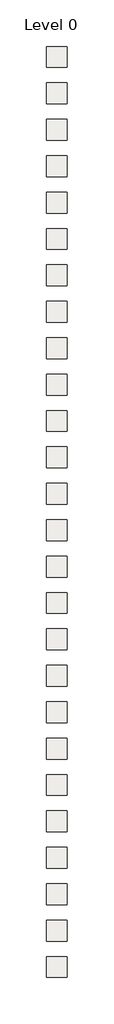
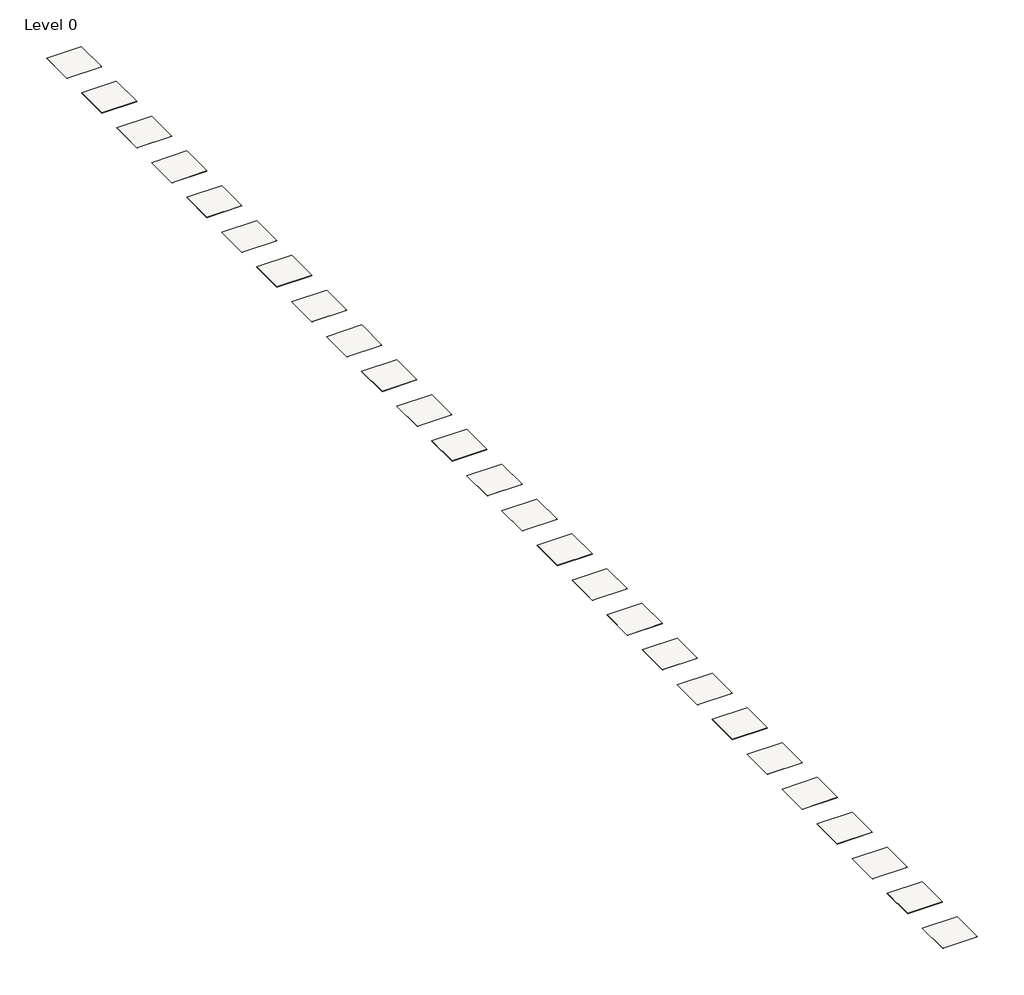
# One storey: 26 coverings.
"""IFC4 building model written with IfcOpenShell, lengths in millimetres."""

from ifc_helpers import new_model, si_unit, origin, origin_with_axes, place, context, project, spatial, polyline, outline, extrude, element, save

model = new_model("IFC4")

# Units and contexts
model_context = context("Model", 3, world=origin())
ifc_project = project(units=[si_unit("LENGTHUNIT", "METRE", prefix="MILLI")], contexts=[model_context])

# Site, building, storey
site = spatial("IfcSite", under=ifc_project)
building = spatial("IfcBuilding", under=site)
storey = spatial("IfcBuildingStorey", under=building, Name="Level 0", Elevation=0.0)

# Coverings
placement = place(None, origin())
element("IfcCovering", 1, at=placement, inside=storey, context=model_context, shape_type="SweptSolid", body=[
    extrude(outline(polyline([(-1496.1652778, 1779.8764211), (803.8347222, 1779.8764211), (803.8347222, -520.1235789), (-1496.1652778, -520.1235789), (-1496.1652778, 1779.8764211)])), origin_with_axes(), (0.0, 0.0, 1.0), 12.0),
])
element("IfcCovering", 2, at=placement, inside=storey, context=model_context, shape_type="SweptSolid", body=[
    extrude(outline(polyline([(-1496.1652778, -2220.1235789), (803.8347222, -2220.1235789), (803.8347222, -4520.1235789), (-1496.1652778, -4520.1235789), (-1496.1652778, -2220.1235789)])), origin_with_axes(), (0.0, 0.0, 1.0), 12.0),
])
element("IfcCovering", 3, at=placement, inside=storey, context=model_context, shape_type="SweptSolid", body=[
    extrude(outline(polyline([(-1496.1652778, -6220.1235789), (803.8347222, -6220.1235789), (803.8347222, -8520.1235789), (-1496.1652778, -8520.1235789), (-1496.1652778, -6220.1235789)])), origin_with_axes(), (0.0, 0.0, 1.0), 12.0),
])
element("IfcCovering", 4, at=placement, inside=storey, context=model_context, shape_type="SweptSolid", body=[
    extrude(outline(polyline([(-1496.1652778, -10220.1235789), (803.8347222, -10220.1235789), (803.8347222, -12520.1235789), (-1496.1652778, -12520.1235789), (-1496.1652778, -10220.1235789)])), origin_with_axes(), (0.0, 0.0, 1.0), 12.0),
])
element("IfcCovering", 5, at=placement, inside=storey, context=model_context, shape_type="SweptSolid", body=[
    extrude(outline(polyline([(-1496.1652778, -14220.1235789), (803.8347222, -14220.1235789), (803.8347222, -16520.1235789), (-1496.1652778, -16520.1235789), (-1496.1652778, -14220.1235789)])), origin_with_axes(), (0.0, 0.0, 1.0), 12.0),
])
element("IfcCovering", 6, at=placement, inside=storey, context=model_context, shape_type="SweptSolid", body=[
    extrude(outline(polyline([(-1496.1652778, -18220.1235789), (803.8347222, -18220.1235789), (803.8347222, -20520.1235789), (-1496.1652778, -20520.1235789), (-1496.1652778, -18220.1235789)])), origin_with_axes(), (0.0, 0.0, 1.0), 12.0),
])
element("IfcCovering", 7, at=placement, inside=storey, context=model_context, shape_type="SweptSolid", body=[
    extrude(outline(polyline([(-1496.1652778, -30220.1235789), (803.8347222, -30220.1235789), (803.8347222, -32520.1235789), (-1496.1652778, -32520.1235789), (-1496.1652778, -30220.1235789)])), origin_with_axes(), (0.0, 0.0, 1.0), 12.0),
])
element("IfcCovering", 8, at=placement, inside=storey, context=model_context, shape_type="SweptSolid", body=[
    extrude(outline(polyline([(-1496.1652778, -34220.1235789), (803.8347222, -34220.1235789), (803.8347222, -36520.1235789), (-1496.1652778, -36520.1235789), (-1496.1652778, -34220.1235789)])), origin_with_axes(), (0.0, 0.0, 1.0), 12.0),
])
element("IfcCovering", 9, at=placement, inside=storey, context=model_context, shape_type="SweptSolid", body=[
    extrude(outline(polyline([(-1496.1652778, -22220.1235789), (803.8347222, -22220.1235789), (803.8347222, -24520.1235789), (-1496.1652778, -24520.1235789), (-1496.1652778, -22220.1235789)])), origin_with_axes(), (0.0, 0.0, 1.0), 12.0),
])
element("IfcCovering", 10, at=placement, inside=storey, context=model_context, shape_type="SweptSolid", body=[
    extrude(outline(polyline([(-1496.1652778, -26220.1235789), (803.8347222, -26220.1235789), (803.8347222, -28520.1235789), (-1496.1652778, -28520.1235789), (-1496.1652778, -26220.1235789)])), origin_with_axes(), (0.0, 0.0, 1.0), 12.0),
])
element("IfcCovering", 11, at=placement, inside=storey, context=model_context, shape_type="SweptSolid", body=[
    extrude(outline(polyline([(-1496.1652778, -38220.1235789), (803.8347222, -38220.1235789), (803.8347222, -40520.1235789), (-1496.1652778, -40520.1235789), (-1496.1652778, -38220.1235789)])), origin_with_axes(), (0.0, 0.0, 1.0), 12.0),
])
element("IfcCovering", 12, at=placement, inside=storey, context=model_context, shape_type="SweptSolid", body=[
    extrude(outline(polyline([(-1496.1652778, -42220.1235789), (803.8347222, -42220.1235789), (803.8347222, -44520.1235789), (-1496.1652778, -44520.1235789), (-1496.1652778, -42220.1235789)])), origin_with_axes(), (0.0, 0.0, 1.0), 12.0),
])
element("IfcCovering", 13, at=placement, inside=storey, context=model_context, shape_type="SweptSolid", body=[
    extrude(outline(polyline([(-1496.1652778, -46220.1235789), (803.8347222, -46220.1235789), (803.8347222, -48520.1235789), (-1496.1652778, -48520.1235789), (-1496.1652778, -46220.1235789)])), origin_with_axes(), (0.0, 0.0, 1.0), 12.0),
])
element("IfcCovering", 14, at=placement, inside=storey, context=model_context, shape_type="SweptSolid", body=[
    extrude(outline(polyline([(-1496.1652778, -50220.1235789), (803.8347222, -50220.1235789), (803.8347222, -52520.1235789), (-1496.1652778, -52520.1235789), (-1496.1652778, -50220.1235789)])), origin_with_axes(), (0.0, 0.0, 1.0), 12.0),
])
element("IfcCovering", 15, at=placement, inside=storey, context=model_context, shape_type="SweptSolid", body=[
    extrude(outline(polyline([(-1496.1652778, -54220.1235789), (803.8347222, -54220.1235789), (803.8347222, -56520.1235789), (-1496.1652778, -56520.1235789), (-1496.1652778, -54220.1235789)])), origin_with_axes(), (0.0, 0.0, 1.0), 12.0),
])
element("IfcCovering", 16, at=placement, inside=storey, context=model_context, shape_type="SweptSolid", body=[
    extrude(outline(polyline([(-1496.1652778, -58220.1235789), (803.8347222, -58220.1235789), (803.8347222, -60520.1235789), (-1496.1652778, -60520.1235789), (-1496.1652778, -58220.1235789)])), origin_with_axes(), (0.0, 0.0, 1.0), 12.0),
])
element("IfcCovering", 17, at=placement, inside=storey, context=model_context, shape_type="SweptSolid", body=[
    extrude(outline(polyline([(-1496.1652778, -62220.1235789), (803.8347222, -62220.1235789), (803.8347222, -64520.1235789), (-1496.1652778, -64520.1235789), (-1496.1652778, -62220.1235789)])), origin_with_axes(), (0.0, 0.0, 1.0), 12.0),
])
element("IfcCovering", 18, at=placement, inside=storey, context=model_context, shape_type="SweptSolid", body=[
    extrude(outline(polyline([(-1496.1652778, -66220.1235789), (803.8347222, -66220.1235789), (803.8347222, -68520.1235789), (-1496.1652778, -68520.1235789), (-1496.1652778, -66220.1235789)])), origin_with_axes(), (0.0, 0.0, 1.0), 12.0),
])
element("IfcCovering", 19, at=placement, inside=storey, context=model_context, shape_type="SweptSolid", body=[
    extrude(outline(polyline([(-1496.1652778, -70220.1235789), (803.8347222, -70220.1235789), (803.8347222, -72520.1235789), (-1496.1652778, -72520.1235789), (-1496.1652778, -70220.1235789)])), origin_with_axes(), (0.0, 0.0, 1.0), 12.0),
])
element("IfcCovering", 20, at=placement, inside=storey, context=model_context, shape_type="SweptSolid", body=[
    extrude(outline(polyline([(-1496.1652778, -74220.1235789), (803.8347222, -74220.1235789), (803.8347222, -76520.1235789), (-1496.1652778, -76520.1235789), (-1496.1652778, -74220.1235789)])), origin_with_axes(), (0.0, 0.0, 1.0), 12.0),
])
element("IfcCovering", 21, at=placement, inside=storey, context=model_context, shape_type="SweptSolid", body=[
    extrude(outline(polyline([(-1496.1652778, -78220.1235789), (803.8347222, -78220.1235789), (803.8347222, -80520.1235789), (-1496.1652778, -80520.1235789), (-1496.1652778, -78220.1235789)])), origin_with_axes(), (0.0, 0.0, 1.0), 12.0),
])
element("IfcCovering", 22, at=placement, inside=storey, context=model_context, shape_type="SweptSolid", body=[
    extrude(outline(polyline([(-1496.1652778, -82220.1235789), (803.8347222, -82220.1235789), (803.8347222, -84520.1235789), (-1496.1652778, -84520.1235789), (-1496.1652778, -82220.1235789)])), origin_with_axes(), (0.0, 0.0, 1.0), 13.0),
])
element("IfcCovering", 23, at=placement, inside=storey, context=model_context, shape_type="SweptSolid", body=[
    extrude(outline(polyline([(-1496.1652778, -86220.1235789), (803.8347222, -86220.1235789), (803.8347222, -88520.1235789), (-1496.1652778, -88520.1235789), (-1496.1652778, -86220.1235789)])), origin_with_axes(), (0.0, 0.0, 1.0), 13.0),
])
element("IfcCovering", 24, at=placement, inside=storey, context=model_context, shape_type="SweptSolid", body=[
    extrude(outline(polyline([(-1496.1652778, -94220.1235789), (803.8347222, -94220.1235789), (803.8347222, -96520.1235789), (-1496.1652778, -96520.1235789), (-1496.1652778, -94220.1235789)])), origin_with_axes(), (0.0, 0.0, 1.0), 13.0),
])
element("IfcCovering", 25, at=placement, inside=storey, context=model_context, shape_type="SweptSolid", body=[
    extrude(outline(polyline([(-1496.1652778, -98220.1235789), (803.8347222, -98220.1235789), (803.8347222, -100520.1235789), (-1496.1652778, -100520.1235789), (-1496.1652778, -98220.1235789)])), origin_with_axes(), (0.0, 0.0, 1.0), 13.0),
])
element("IfcCovering", 26, at=placement, inside=storey, context=model_context, shape_type="SweptSolid", body=[
    extrude(outline(polyline([(-1496.1652778, -90220.1235789), (803.8347222, -90220.1235789), (803.8347222, -92520.1235789), (-1496.1652778, -92520.1235789), (-1496.1652778, -90220.1235789)])), origin_with_axes(), (0.0, 0.0, 1.0), 13.0),
])

save(model, "model.ifc")
